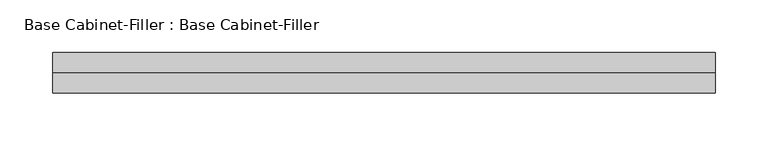
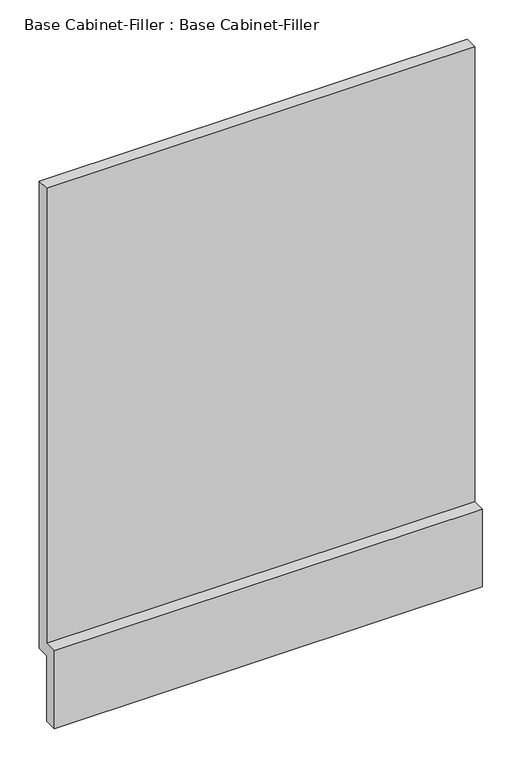
"""IFC4 building model written with IfcOpenShell, lengths in millimetres: furniture geometry, Base Cabinet-Filler : Base Cabinet-Filler."""

from ifc_helpers import new_model, si_unit, frame, origin, place, context, project, spatial, polyline, outline, extrude, source, transform, mapped, element, save


def base_cabinet_filler_base_cabinet_filler_305d9e1e(model_context):
    return source(origin(), model_context, "Body", "SweptSolid", [
        extrude(outline(polyline([(590.55, 101.6), (571.5, 101.6), (571.5, 0.0), (552.45, 0.0), (552.45, 120.65), (571.5, 120.65), (571.5, 825.5), (590.55, 825.5), (590.55, 101.6)])), frame((-294.7935451, 0.0, 0.0), z_axis=(1.0, 0.0, 0.0), x_axis=(0.0, 1.0, 0.0)), (0.0, 0.0, 1.0), 627.0625),
    ])


if __name__ == "__main__":
    model = new_model("IFC4")
    model_context = context("Model", 3, world=origin())
    ifc_project = project(units=[si_unit("LENGTHUNIT", "METRE", prefix="MILLI")], contexts=[model_context])
    site = spatial("IfcSite", under=ifc_project)
    building = spatial("IfcBuilding", under=site)
    placement = place(None, origin())
    base_cabinet_filler_base_cabinet_filler_shape = base_cabinet_filler_base_cabinet_filler_305d9e1e(model_context)
    element("IfcFurniture", 1, ObjectType="Base Cabinet-Filler : Base Cabinet-Filler", at=placement, inside=building, context=model_context, shape_type="MappedRepresentation", body=[
        mapped(base_cabinet_filler_base_cabinet_filler_shape, transform((0.0, 0.0, 0.0), x_axis=(1.0, 0.0, 0.0), y_axis=(0.0, 1.0, 0.0), z_axis=(0.0, 0.0, 1.0))),
    ])
    save(model, "model.ifc")
